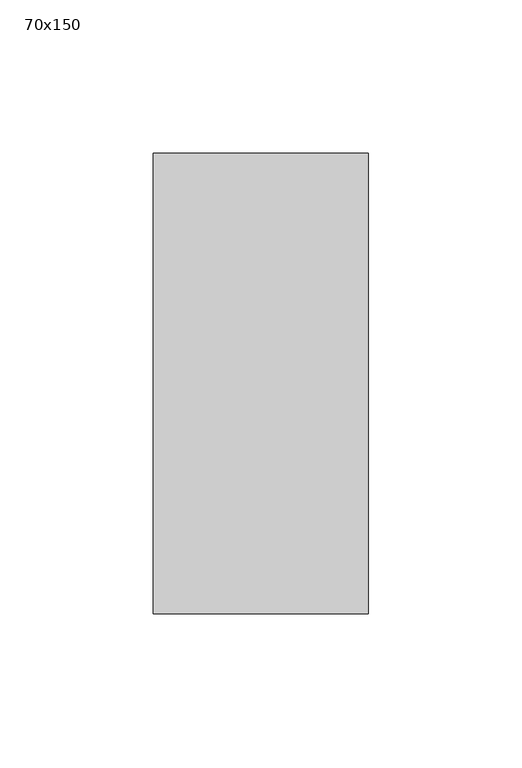
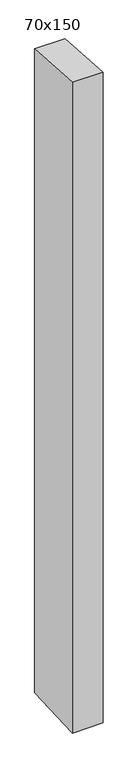
"""IFC4 building model written with IfcOpenShell, lengths in millimetres: member geometry, 70x150."""

from ifc_helpers import new_model, si_unit, frame, origin, place, context, project, spatial, polyline, outline, extrude, source, transform, mapped, element, save


def member_70x150_3a6e4ddf(model_context):
    return source(origin(), model_context, "Body", "SweptSolid", [
        extrude(outline(polyline([(-75.0, 4.8333526), (75.0, -4.8333526), (75.0, -1567.7578206), (-75.0, -1574.365695), (-75.0, 4.8333526)])), frame((-35.0, 0.0, 0.0), z_axis=(1.0, 0.0, 0.0), x_axis=(0.0, 1.0, 0.0)), (0.0, 0.0, 1.0), 70.0),
    ])


if __name__ == "__main__":
    model = new_model("IFC4")
    model_context = context("Model", 3, world=origin())
    ifc_project = project(units=[si_unit("LENGTHUNIT", "METRE", prefix="MILLI")], contexts=[model_context])
    site = spatial("IfcSite", under=ifc_project)
    building = spatial("IfcBuilding", under=site)
    placement = place(None, origin())
    member_70x150_shape = member_70x150_3a6e4ddf(model_context)
    element("IfcMember", 1, ObjectType="70x150", at=placement, inside=building, context=model_context, shape_type="MappedRepresentation", body=[
        mapped(member_70x150_shape, transform((0.0, 0.0, 0.0), x_axis=(1.0, 0.0, 0.0), y_axis=(0.0, 1.0, 0.0), z_axis=(0.0, 0.0, 1.0))),
    ])
    save(model, "model.ifc")
